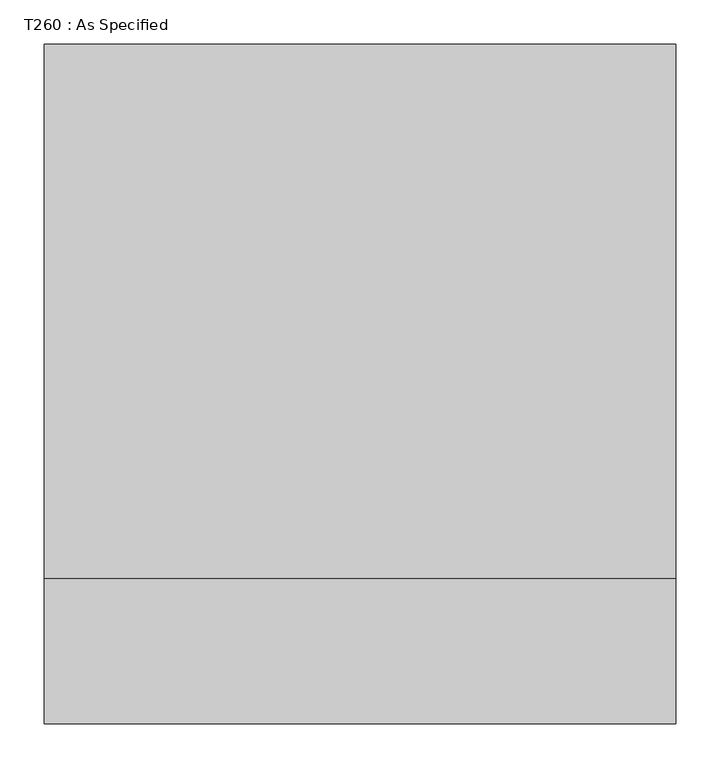
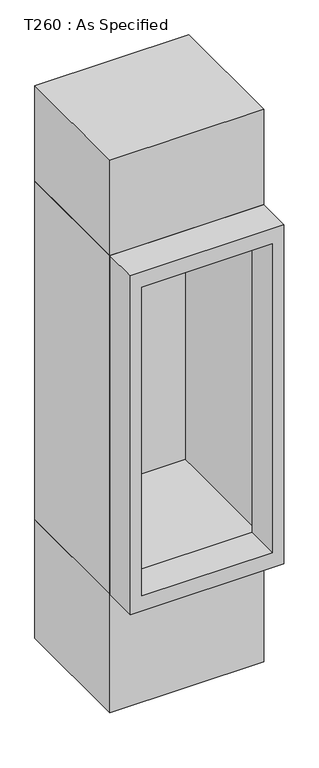
"""IFC4 building model written with IfcOpenShell, lengths in millimetres: proxy geometry, T260 : As Specified."""

from ifc_helpers import new_model, si_unit, frame, origin, place, context, project, spatial, polyline, outline, extrude, faceted_brep, source, transform, mapped, element, save


def t260_as_specified_c2e1c8e9(model_context):
    return source(origin(), model_context, "Body", "SolidModel", [
        faceted_brep([(358.775, 303.2621094, 584.2), (-358.775, 303.2621094, 584.2), (-358.775, -303.2621094, 584.2), (358.775, -303.2621094, 584.2), (358.775, 303.2621094, 0.0), (358.775, -303.2621094, 0.0), (-358.775, -303.2621094, 0.0), (-358.775, 303.2621094, 0.0), (-279.4, 303.2621094, 25.4), (279.4, 303.2621094, 25.4), (279.4, 303.2621094, 152.4), (-279.4, 303.2621094, 152.4), (-279.4, 276.3881173, 25.4), (-279.4, 276.3881173, 152.4), (279.4, 276.3881173, 152.4), (279.4, 276.3881173, 25.4)], [[[0, 1, 2, 3]], [[4, 5, 6, 7]], [[1, 0, 4, 7], [8, 9, 10, 11]], [[2, 1, 7, 6]], [[3, 2, 6, 5]], [[0, 3, 5, 4]], [[12, 13, 14, 15]], [[12, 15, 9, 8]], [[15, 14, 10, 9]], [[14, 13, 11, 10]], [[13, 12, 8, 11]]]),
        extrude(outline(polyline([(2257.3257813, 358.775), (2257.3257813, -358.775), (584.2, -358.775), (584.2, 358.775), (2257.3257813, 358.775)]), holes=[polyline([(2182.7628906, -304.8), (2182.7628906, 304.8), (658.7628906, 304.8), (658.7628906, -304.8), (2182.7628906, -304.8)])]), frame((0.0, -468.3621094, 0.0), z_axis=(0.0, 1.0, 0.0), x_axis=(0.0, 0.0, 1.0)), (0.0, 0.0, 1.0), 165.1),
        faceted_brep([(358.775, 303.2621094, 2257.3257813), (-358.775, 303.2621094, 2257.3257813), (-358.775, -303.2621094, 2257.3257813), (358.775, -303.2621094, 2257.3257813), (358.775, 303.2621094, 584.2), (358.775, -303.2621094, 584.2), (-358.775, -303.2621094, 584.2), (-358.775, 303.2621094, 584.2), (-330.2, -303.2621094, 2182.7628906), (328.2981557, -303.2621094, 2182.7628906), (328.2981557, -303.2621094, 658.7628906), (-330.2, -303.2621094, 658.7628906), (328.2981557, 276.3881173, 2182.7628906), (-330.2, 276.3881173, 2182.7628906), (-330.2, 276.3881173, 658.7628906), (328.2981557, 276.3881173, 658.7628906)], [[[0, 1, 2, 3]], [[4, 5, 6, 7]], [[1, 0, 4, 7]], [[2, 1, 7, 6]], [[3, 2, 6, 5], [8, 9, 10, 11]], [[0, 3, 5, 4]], [[12, 13, 14, 15]], [[13, 12, 9, 8]], [[14, 13, 8, 11]], [[15, 14, 11, 10]], [[12, 15, 10, 9]]]),
        extrude(outline(polyline([(358.775, 303.2621094), (358.775, -303.2621094), (-358.775, -303.2621094), (-358.775, 303.2621094), (358.775, 303.2621094)])), frame((0.0, 0.0, 2257.3257813), z_axis=(0.0, 0.0, 1.0), x_axis=(1.0, 0.0, 0.0)), (0.0, 0.0, 1.0), 470.3960937),
    ])


if __name__ == "__main__":
    model = new_model("IFC4")
    model_context = context("Model", 3, world=origin())
    ifc_project = project(units=[si_unit("LENGTHUNIT", "METRE", prefix="MILLI")], contexts=[model_context])
    site = spatial("IfcSite", under=ifc_project)
    building = spatial("IfcBuilding", under=site)
    placement = place(None, origin())
    t260_as_specified_shape = t260_as_specified_c2e1c8e9(model_context)
    element("IfcBuildingElementProxy", 1, Name="T260 : As Specified", ObjectType="T260 : As Specified", at=placement, inside=building, context=model_context, shape_type="MappedRepresentation", body=[
        mapped(t260_as_specified_shape, transform((0.0, 0.0, 0.0), x_axis=(1.0, 0.0, 0.0), y_axis=(0.0, 1.0, 0.0), z_axis=(0.0, 0.0, 1.0))),
    ])
    save(model, "model.ifc")
